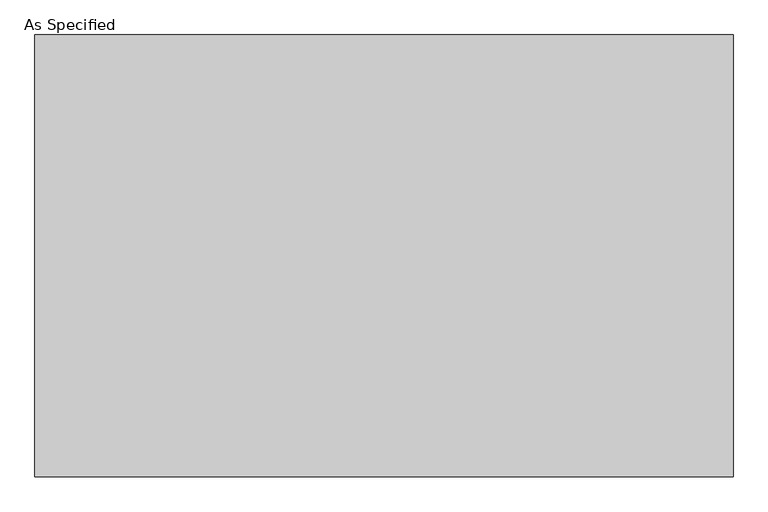
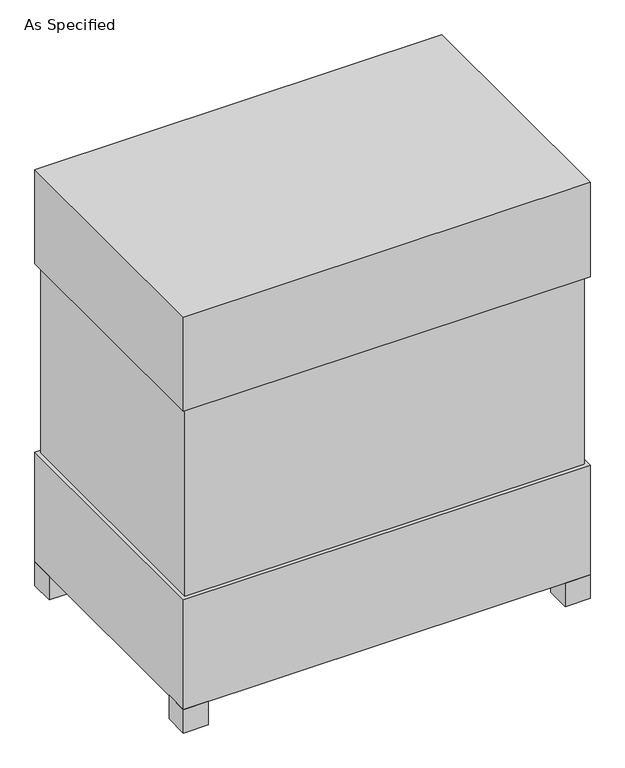
"""IFC4 building model written with IfcOpenShell, lengths in millimetres: proxy geometry, As Specified."""

from ifc_helpers import new_model, si_unit, frame, origin, origin_with_axes, place, context, project, spatial, polyline, outline, extrude, source, transform, mapped, element, save


def as_specified_2dad1aff(model_context):
    return source(origin(), model_context, "Body", "SweptSolid", [
        extrude(outline(polyline([(611.1875, 382.5875), (611.1875, -382.5875), (-611.1875, -382.5875), (-611.1875, 382.5875), (611.1875, 382.5875)])), frame((0.0, 0.0, 431.8), z_axis=(0.0, 0.0, 1.0), x_axis=(1.0, 0.0, 0.0)), (0.0, 0.0, 1.0), 609.6),
        extrude(outline(polyline([(622.3, 393.7), (622.3, -393.7), (-622.3, -393.7), (-622.3, 393.7), (622.3, 393.7)])), frame((0.0, 0.0, 1041.4), z_axis=(0.0, 0.0, 1.0), x_axis=(1.0, 0.0, 0.0)), (0.0, 0.0, 1.0), 304.8),
        extrude(outline(polyline([(508.0, 228.6), (508.0, 152.4), (431.8, 152.4), (431.8, 228.6), (508.0, 228.6)])), frame((0.0, 0.0, 50.8), z_axis=(0.0, 0.0, 1.0), x_axis=(1.0, 0.0, 0.0)), (0.0, 0.0, 1.0), 25.4),
        extrude(outline(polyline([(508.0, -152.4), (508.0, -228.6), (431.8, -228.6), (431.8, -152.4), (508.0, -152.4)])), frame((0.0, 0.0, 50.8), z_axis=(0.0, 0.0, 1.0), x_axis=(1.0, 0.0, 0.0)), (0.0, 0.0, 1.0), 25.4),
        extrude(outline(polyline([(-546.1, 393.7), (-546.1, 317.5), (-622.3, 317.5), (-622.3, 393.7), (-546.1, 393.7)])), origin_with_axes(), (0.0, 0.0, 1.0), 76.2),
        extrude(outline(polyline([(622.3, 393.7), (622.3, 317.5), (546.1, 317.5), (546.1, 393.7), (622.3, 393.7)])), origin_with_axes(), (0.0, 0.0, 1.0), 76.2),
        extrude(outline(polyline([(622.3, -317.5), (622.3, -393.7), (546.1, -393.7), (546.1, -317.5), (622.3, -317.5)])), origin_with_axes(), (0.0, 0.0, 1.0), 76.2),
        extrude(outline(polyline([(-546.1, -317.5), (-546.1, -393.7), (-622.3, -393.7), (-622.3, -317.5), (-546.1, -317.5)])), origin_with_axes(), (0.0, 0.0, 1.0), 76.2),
        extrude(outline(polyline([(622.3, 393.7), (622.3, -393.7), (-622.3, -393.7), (-622.3, 393.7), (622.3, 393.7)])), frame((0.0, 0.0, 76.2), z_axis=(0.0, 0.0, 1.0), x_axis=(1.0, 0.0, 0.0)), (0.0, 0.0, 1.0), 355.6),
    ])


if __name__ == "__main__":
    model = new_model("IFC4")
    model_context = context("Model", 3, world=origin())
    ifc_project = project(units=[si_unit("LENGTHUNIT", "METRE", prefix="MILLI")], contexts=[model_context])
    site = spatial("IfcSite", under=ifc_project)
    building = spatial("IfcBuilding", under=site)
    placement = place(None, origin())
    as_specified_shape = as_specified_2dad1aff(model_context)
    element("IfcBuildingElementProxy", 1, Name="As Specified", ObjectType="As Specified", at=placement, inside=building, context=model_context, shape_type="MappedRepresentation", body=[
        mapped(as_specified_shape, transform((0.0, 0.0, 0.0), x_axis=(1.0, 0.0, 0.0), y_axis=(0.0, 1.0, 0.0), z_axis=(0.0, 0.0, 1.0))),
    ])
    save(model, "model.ifc")
